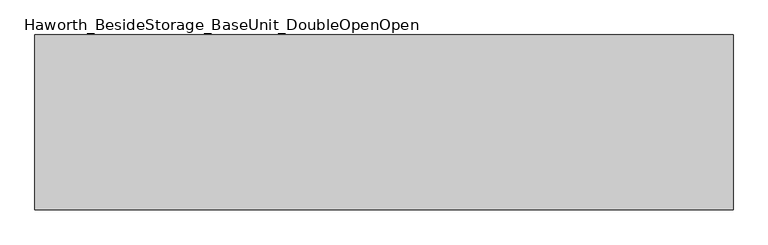
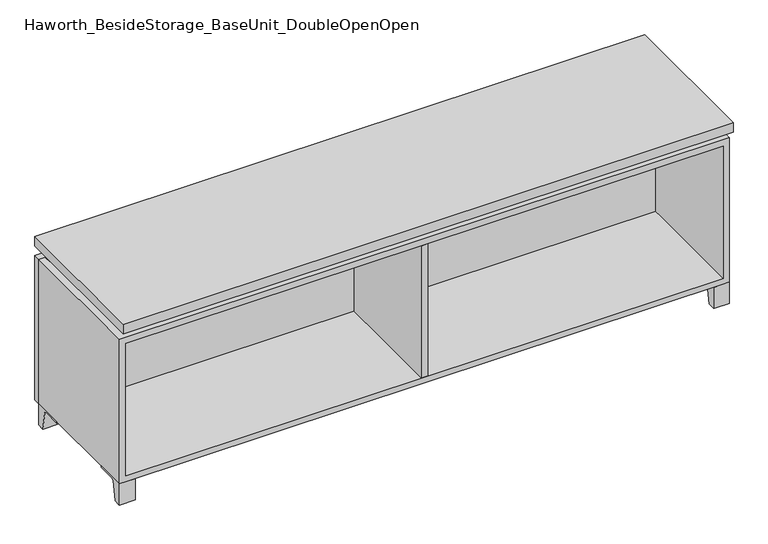
"""IFC4 building model written with IfcOpenShell, lengths in millimetres: furniture geometry, Haworth_BesideStorage_BaseUnit_DoubleOpenOpen."""

from ifc_helpers import new_model, si_unit, point, frame, frame_2d, origin, place, context, project, spatial, polyline, circle_curve, trimmed, segment, composite_curve, outline, extrude, faceted_brep, source, transform, mapped, element, save


def haworth_besidestorage_baseunit_doubleopenopen_e9371a8c(model_context):
    return source(origin(), model_context, "Body", "SolidModel", [
        extrude(outline(composite_curve([segment(polyline([(44.9791531, 0.0), (22.225, 0.0), (22.225, 66.675), (117.475, 66.675), (117.475, 61.8963321), (60.6744655, 61.8963321)]), True, "CONTINUOUS"), segment(trimmed(circle_curve(frame_2d((60.6744655, 55.5463321)), 6.35), [point((60.6744655, 61.8963321))], [point((54.4108641, 56.5902656))], True, "CARTESIAN"), True, "CONTINUOUS"), segment(polyline([(54.4108641, 56.5902656), (44.9791531, 0.0)]), True, "CONTINUOUS")], self_intersect=False)), frame((-23.7986094, 0.0, 0.0), z_axis=(1.0, 0.0, 0.0), x_axis=(0.0, 1.0, 0.0)), (0.0, 0.0, 1.0), 47.625),
        extrude(outline(composite_curve([segment(polyline([(-123.2958469, 0.0), (-146.05, 0.0), (-146.05, 66.675), (-50.8, 66.675), (-50.8, 61.8963321), (-107.6005345, 61.8963321)]), True, "CONTINUOUS"), segment(trimmed(circle_curve(frame_2d((-107.6005345, 55.5463321)), 6.35), [point((-107.6005345, 61.8963321))], [point((-113.8641359, 56.5902656))], True, "CARTESIAN"), True, "CONTINUOUS"), segment(polyline([(-113.8641359, 56.5902656), (-123.2958469, 0.0)]), True, "CONTINUOUS")], self_intersect=False)), frame((865.2013906, 0.0, 0.0), z_axis=(1.0, 0.0, 0.0), x_axis=(0.0, 1.0, 0.0)), (0.0, 0.0, 1.0), 47.625),
        extrude(outline(composite_curve([segment(polyline([(250.2958469, 0.0), (240.8641359, 56.5902656)]), True, "CONTINUOUS"), segment(trimmed(circle_curve(frame_2d((234.6005345, 55.5463321)), 6.35), [point((240.8641359, 56.5902656))], [point((234.6005345, 61.8963321))], True, "CARTESIAN"), True, "CONTINUOUS"), segment(polyline([(234.6005345, 61.8963321), (177.8, 61.8963321), (177.8, 66.675), (273.05, 66.675), (273.05, 0.0), (250.2958469, 0.0)]), True, "CONTINUOUS")], self_intersect=False)), frame((865.2013906, 0.0, 0.0), z_axis=(1.0, 0.0, 0.0), x_axis=(0.0, 1.0, 0.0)), (0.0, 0.0, 1.0), 47.625),
        extrude(outline(composite_curve([segment(polyline([(-123.2958469, 0.0), (-146.05, 0.0), (-146.05, 66.675), (-50.8, 66.675), (-50.8, 61.8963321), (-107.6005345, 61.8963321)]), True, "CONTINUOUS"), segment(trimmed(circle_curve(frame_2d((-107.6005345, 55.5463321)), 6.35), [point((-107.6005345, 61.8963321))], [point((-113.8641359, 56.5902656))], True, "CARTESIAN"), True, "CONTINUOUS"), segment(polyline([(-113.8641359, 56.5902656), (-123.2958469, 0.0)]), True, "CONTINUOUS")], self_intersect=False)), frame((-912.7986094, 0.0, 0.0), z_axis=(1.0, 0.0, 0.0), x_axis=(0.0, 1.0, 0.0)), (0.0, 0.0, 1.0), 47.625),
        extrude(outline(composite_curve([segment(polyline([(250.2958469, 0.0), (240.8641359, 56.5902656)]), True, "CONTINUOUS"), segment(trimmed(circle_curve(frame_2d((234.6005345, 55.5463321)), 6.35), [point((240.8641359, 56.5902656))], [point((234.6005345, 61.8963321))], True, "CARTESIAN"), True, "CONTINUOUS"), segment(polyline([(234.6005345, 61.8963321), (177.8, 61.8963321), (177.8, 66.675), (273.05, 66.675), (273.05, 0.0), (250.2958469, 0.0)]), True, "CONTINUOUS")], self_intersect=False)), frame((-912.7986094, 0.0, 0.0), z_axis=(1.0, 0.0, 0.0), x_axis=(0.0, 1.0, 0.0)), (0.0, 0.0, 1.0), 47.625),
        faceted_brep([(-912.7986094, -146.05, 66.675), (912.8125, -146.05, 66.675), (912.8125, -146.05, 523.875), (-912.7986094, -146.05, 523.875), (-893.7486094, -146.05, 85.725), (-893.7486094, -146.05, 504.825), (893.7694453, -146.05, 504.825), (893.7486094, -146.05, 85.725), (-912.7986094, 273.05, 66.675), (-912.7986094, 273.05, 523.875), (-893.7486094, 273.05, 523.875), (-893.7486094, 273.05, 85.725), (893.7486094, 273.05, 85.725), (893.7486094, 273.05, 523.875), (912.8125, 273.05, 523.875), (912.8125, 273.05, 66.675), (893.7486094, 247.65, 523.875), (-893.7416641, 247.65, 523.875), (-893.7486094, 247.65, 504.825), (893.7486094, 247.65, 504.825)], [[[0, 1, 2, 3], [4, 5, 6, 7]], [[8, 9, 10, 11, 12, 13, 14, 15]], [[1, 0, 8, 15]], [[2, 1, 15, 14]], [[3, 2, 14, 13, 16, 17, 10, 9]], [[0, 3, 9, 8]], [[11, 10, 17, 18, 5, 4]], [[13, 12, 7, 6, 19, 16]], [[4, 7, 12, 11]], [[6, 5, 18, 19]], [[17, 16, 19, 18]]]),
        extrude(outline(polyline([(912.8263906, -165.1), (-912.7986094, -165.1), (-912.7986094, 292.1), (912.8263906, 292.1), (912.8263906, -165.1)])), frame((0.0, 0.0, 554.0375), z_axis=(0.0, 0.0, 1.0), x_axis=(1.0, 0.0, 0.0)), (0.0, 0.0, 1.0), 30.1625),
        faceted_brep([(7.9513906, -69.85, 554.0375), (7.9513906, -69.85, 523.875), (7.9513906, 53.975, 523.875), (7.9513906, 53.975, 554.0375), (7.9513906, 196.85, 523.875), (7.9513906, 196.85, 554.0375), (7.9513906, 73.025, 554.0375), (7.9513906, 73.025, 523.875), (-7.9236094, 196.85, 554.0375), (-7.9236094, 196.85, 523.875), (-7.9236094, 73.025, 523.875), (-7.9236094, 73.025, 554.0375), (-7.9236094, -69.85, 523.875), (-7.9236094, -69.85, 554.0375), (-7.9236094, 53.975, 554.0375), (-7.9236094, 53.975, 523.875), (-871.4958281, 73.025, 554.0375), (-871.5166641, 247.65, 554.0375), (-887.3916641, 247.65, 554.0375), (-887.3916641, -120.65, 554.0375), (-871.5166641, -120.65, 554.0375), (-871.5166641, 53.975, 554.0375), (871.5236094, 53.975, 554.0375), (871.5236094, -120.65, 554.0375), (887.3986094, -120.65, 554.0375), (887.3986094, 247.65, 554.0375), (871.5236094, 247.65, 554.0375), (871.5236094, 73.025, 554.0375), (-871.4958281, 53.975, 523.875), (-871.5166641, -120.65, 523.875), (-887.3916641, -120.65, 523.875), (-887.3916641, 247.65, 523.875), (-871.5166641, 247.65, 523.875), (-871.5166641, 73.025, 523.875), (871.5236094, 73.025, 523.875), (871.5236094, 247.65, 523.875), (887.3986094, 247.65, 523.875), (887.3986094, -120.65, 523.875), (871.5236094, -120.65, 523.875), (871.5236094, 53.975, 523.875)], [[[0, 1, 2, 3]], [[4, 5, 6, 7]], [[8, 9, 10, 11]], [[12, 13, 14, 15]], [[5, 8, 11, 16, 17, 18, 19, 20, 21, 14, 13, 0, 3, 22, 23, 24, 25, 26, 27, 6]], [[1, 12, 15, 28, 29, 30, 31, 32, 33, 10, 9, 4, 7, 34, 35, 36, 37, 38, 39, 2]], [[5, 4, 9, 8]], [[1, 0, 13, 12]], [[6, 27, 34, 7]], [[22, 3, 2, 39]], [[20, 29, 28, 21]], [[32, 17, 16, 33]], [[18, 31, 30, 19]], [[29, 20, 19, 30]], [[17, 32, 31, 18]], [[26, 35, 34, 27]], [[38, 23, 22, 39]], [[25, 24, 37, 36]], [[23, 38, 37, 24]], [[35, 26, 25, 36]], [[16, 11, 10, 33]], [[14, 21, 28, 15]]]),
        extrude(outline(polyline([(9.5388906, 203.2), (9.5388906, -146.05), (-9.5111094, -146.05), (-9.5111094, 203.2), (9.5388906, 203.2)])), frame((0.0, 0.0, 85.725), z_axis=(0.0, 0.0, 1.0), x_axis=(1.0, 0.0, 0.0)), (0.0, 0.0, 1.0), 419.1),
        extrude(outline(polyline([(912.8263906, 273.05), (-912.7986094, 273.05), (-912.7986094, 292.1), (912.8263906, 292.1), (912.8263906, 273.05)])), frame((0.0, 0.0, 66.675), z_axis=(0.0, 0.0, 1.0), x_axis=(1.0, 0.0, 0.0)), (0.0, 0.0, 1.0), 457.2),
        extrude(outline(polyline([(-893.7416641, 203.2), (-893.7416641, 209.55), (893.7694453, 209.55), (893.7694453, 203.2), (-893.7416641, 203.2)])), frame((0.0, 0.0, 85.725), z_axis=(0.0, 0.0, 1.0), x_axis=(1.0, 0.0, 0.0)), (0.0, 0.0, 1.0), 419.1),
    ])


if __name__ == "__main__":
    model = new_model("IFC4")
    model_context = context("Model", 3, world=origin())
    ifc_project = project(units=[si_unit("LENGTHUNIT", "METRE", prefix="MILLI")], contexts=[model_context])
    site = spatial("IfcSite", under=ifc_project)
    building = spatial("IfcBuilding", under=site)
    placement = place(None, origin())
    haworth_besidestorage_baseunit_doubleopenopen_shape = haworth_besidestorage_baseunit_doubleopenopen_e9371a8c(model_context)
    element("IfcFurniture", 1, ObjectType="Haworth_BesideStorage_BaseUnit_DoubleOpenOpen", at=placement, inside=building, context=model_context, shape_type="MappedRepresentation", body=[
        mapped(haworth_besidestorage_baseunit_doubleopenopen_shape, transform((0.0, 0.0, 0.0), x_axis=(1.0, 0.0, 0.0), y_axis=(0.0, 1.0, 0.0), z_axis=(0.0, 0.0, 1.0))),
    ])
    save(model, "model.ifc")
